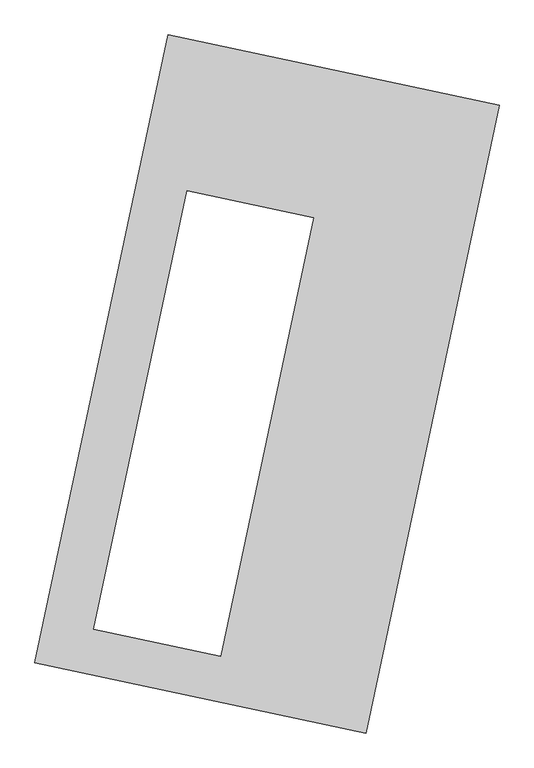
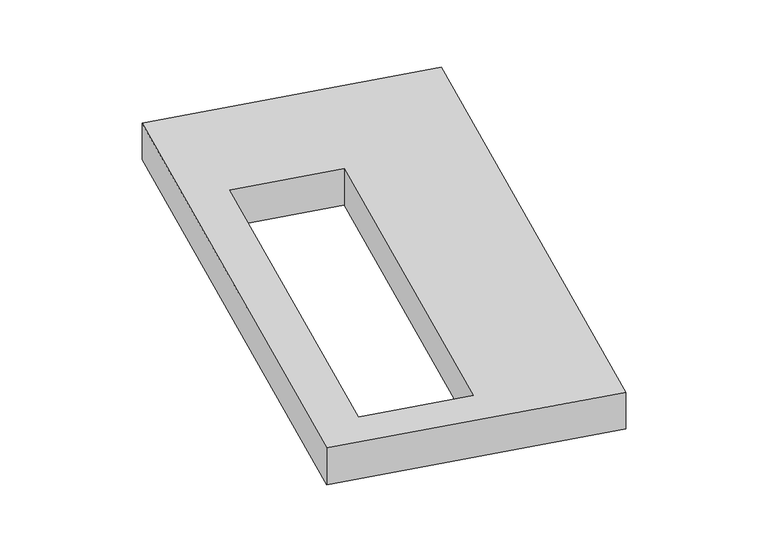
"""IFC4 building model written with IfcOpenShell, lengths in millimetres: proxy geometry."""

import ifcopenshell
import ifcopenshell.guid

model = None  # the IFC model being written
_history = None  # IfcOwnerHistory: only IFC2X3 demands one
_inside = {}  # id of a spatial element -> (the spatial element, [elements in it])
_under = {}  # id of a project, library or spatial element -> (it, [spatial elements below it])
_declared = {}  # id of a project -> (the project, [libraries it declares])
_typed = {}  # id of a type object -> (the type object, [elements of that type])
_made_of = {}  # id of a material, layer set ... -> (it, [elements and type objects made of it])


def new_model(schema):
    """Start an empty IFC model of exactly this schema.

    Asked for "IFC4X3", IfcOpenShell would pick the latest addendum, in which some entities
    have other attributes; the version numbers below select the first issue.
    IFC2X3 requires an IfcOwnerHistory on every rooted entity: one is made here for all.
    """
    global model, _history
    if schema == "IFC4X3":
        model = ifcopenshell.file(schema_version=(4, 3, 0, 0))
    else:
        model = ifcopenshell.file(schema=schema)
    _inside.clear()
    _under.clear()
    _declared.clear()
    _typed.clear()
    _made_of.clear()
    _history = None
    if model.schema == "IFC2X3":
        org = make("IfcOrganization", Name="unknown")
        user = make(
            "IfcPersonAndOrganization",
            ThePerson=make("IfcPerson", FamilyName="unknown"),
            TheOrganization=org,
        )
        app = make(
            "IfcApplication",
            ApplicationDeveloper=org,
            Version="unknown",
            ApplicationFullName="unknown",
            ApplicationIdentifier="unknown",
        )
        _history = make(
            "IfcOwnerHistory",
            OwningUser=user,
            OwningApplication=app,
            ChangeAction="ADDED",
            CreationDate=0,
        )
    return model


def make(cls, **values):
    """One entity of the class cls with the attributes given. An attribute that is None is left unset."""
    return model.create_entity(
        cls, **{name: value for name, value in values.items() if value is not None}
    )


def rooted(cls, **values):
    """An entity with a GlobalId (a new one), such as an element, a storey or a relation."""
    return make(cls, GlobalId=ifcopenshell.guid.new(), OwnerHistory=_history, **values)


def si_unit(unit_type, name, prefix=None):
    """IfcSIUnit, for example si_unit("LENGTHUNIT", "METRE", prefix="MILLI")."""
    return make("IfcSIUnit", UnitType=unit_type, Prefix=prefix, Name=name)


def assignment(units):
    """IfcUnitAssignment: the units of a project."""
    return None if units is None else make("IfcUnitAssignment", Units=units)


def point(xyz):
    """IfcCartesianPoint."""
    return None if xyz is None else make("IfcCartesianPoint", Coordinates=xyz)


def direction(xyz):
    """IfcDirection."""
    return None if xyz is None else make("IfcDirection", DirectionRatios=xyz)


def frame(location, z_axis=None, x_axis=None):
    """IfcAxis2Placement3D, a coordinate frame: its origin and axes. An axis left out is left unset."""
    return make(
        "IfcAxis2Placement3D",
        Location=point(location),
        Axis=direction(z_axis),
        RefDirection=direction(x_axis),
    )


def origin():
    """The frame at (0, 0, 0) with its axes left unset."""
    return frame((0.0, 0.0, 0.0))


def origin_with_axes():
    """The frame at (0, 0, 0) with the z axis (0, 0, 1) and the x axis (1, 0, 0) written out."""
    return frame((0.0, 0.0, 0.0), z_axis=(0.0, 0.0, 1.0), x_axis=(1.0, 0.0, 0.0))


def place(relative_to, where):
    """IfcLocalPlacement: puts the frame where relative to a parent placement (None: the world)."""
    return make(
        "IfcLocalPlacement", PlacementRelTo=relative_to, RelativePlacement=where
    )


def context(
    kind, dimensions, precision=None, world=None, true_north=None, identifier=None
):
    """IfcGeometricRepresentationContext, for example the 3D "Model" context."""
    return make(
        "IfcGeometricRepresentationContext",
        ContextIdentifier=identifier,
        ContextType=kind,
        CoordinateSpaceDimension=dimensions,
        Precision=precision,
        WorldCoordinateSystem=world,
        TrueNorth=true_north,
    )


def project(units=None, contexts=None):
    """IfcProject with its units and contexts."""
    return rooted(
        "IfcProject",
        Name="project",
        RepresentationContexts=contexts,
        UnitsInContext=assignment(units),
    )


def spatial(cls, under=None, at=None, **own):
    """A site, building, storey or space (cls), placed at a placement, below another one or the project."""
    s = rooted(cls, ObjectPlacement=at, **own)
    if under is not None:
        _under.setdefault(under.id(), (under, []))[1].append(s)
    return s


def polyline(points):
    """IfcPolyline through the points."""
    return make("IfcPolyline", Points=[point(p) for p in points])


def outline(outer, holes=None, kind="AREA"):
    """IfcArbitraryClosedProfileDef: a profile drawn as a closed curve; with holes, ...WithVoids."""
    if holes is None:
        return make("IfcArbitraryClosedProfileDef", ProfileType=kind, OuterCurve=outer)
    return make(
        "IfcArbitraryProfileDefWithVoids",
        ProfileType=kind,
        OuterCurve=outer,
        InnerCurves=holes,
    )


def extrude(swept, where, along, depth):
    """IfcExtrudedAreaSolid: the profile swept, set in the frame where, extruded along a direction by depth."""
    return make(
        "IfcExtrudedAreaSolid",
        SweptArea=swept,
        Position=where,
        ExtrudedDirection=direction(along),
        Depth=depth,
    )


def shape(context_of_items, identifier, shape_type, items):
    """IfcShapeRepresentation: the items that make up one representation, for example the "Body"."""
    return make(
        "IfcShapeRepresentation",
        ContextOfItems=context_of_items,
        RepresentationIdentifier=identifier,
        RepresentationType=shape_type,
        Items=items,
    )


def source(mapping_origin, context_of_items, identifier, shape_type, items):
    """IfcRepresentationMap: a shape defined once, which mapped items show again and again."""
    return make(
        "IfcRepresentationMap",
        MappingOrigin=mapping_origin,
        MappedRepresentation=shape(context_of_items, identifier, shape_type, items),
    )


def transform(
    local_origin,
    x_axis=None,
    y_axis=None,
    z_axis=None,
    scale=None,
    scale2=None,
    scale3=None,
    uniform=True,
):
    """IfcCartesianTransformationOperator3D, or its non-uniform kind. x_axis, y_axis, z_axis: its Axis1, 2, 3."""
    if uniform:
        return make(
            "IfcCartesianTransformationOperator3D",
            Axis1=direction(x_axis),
            Axis2=direction(y_axis),
            LocalOrigin=point(local_origin),
            Scale=scale,
            Axis3=direction(z_axis),
        )
    return make(
        "IfcCartesianTransformationOperator3DnonUniform",
        Axis1=direction(x_axis),
        Axis2=direction(y_axis),
        LocalOrigin=point(local_origin),
        Scale=scale,
        Axis3=direction(z_axis),
        Scale2=scale2,
        Scale3=scale3,
    )


def mapped(mapping_source, mapping_target):
    """IfcMappedItem: shows the shape of a source again, moved by a transform."""
    return make(
        "IfcMappedItem", MappingSource=mapping_source, MappingTarget=mapping_target
    )


def made_of(thing, what):
    """Note that an element or type object is made of a material, layer set ...; save() writes the relation."""
    if what is not None:
        _made_of.setdefault(what.id(), (what, []))[1].append(thing)
    return thing


def element(
    cls,
    number,
    at=None,
    inside=None,
    cuts=None,
    type_object=None,
    material=None,
    context=None,
    identifier="Body",
    shape_type=None,
    held_by="IfcProductDefinitionShape",
    body=None,
    shapes=None,
    **own,
):
    """One element of the class cls, such as IfcWall. Its Tag is "e" and its number.

    at: its placement. inside: the storey or other place that contains it. cuts: it is an
    opening in that element (IfcRelVoidsElement). A single representation is given by context,
    identifier, shape_type and body (its items); several are given by shapes. held_by: the class
    of the entity that holds the representations. save() writes the other relations.
    """
    e = rooted(cls, Tag="e%d" % number, ObjectPlacement=at, **own)
    if body is not None:
        shapes = [shape(context, identifier, shape_type, body)]
    if shapes is not None:
        e.Representation = make(held_by, Representations=shapes)
    if inside is not None:
        _inside.setdefault(inside.id(), (inside, []))[1].append(e)
    if cuts is not None:
        rooted(
            "IfcRelVoidsElement", RelatingBuildingElement=cuts, RelatedOpeningElement=e
        )
    if type_object is not None:
        _typed.setdefault(type_object.id(), (type_object, []))[1].append(e)
    return made_of(e, material)


def aggregate(whole, parts):
    """IfcRelAggregates: a whole, such as a stair, and the parts it consists of."""
    return rooted("IfcRelAggregates", RelatingObject=whole, RelatedObjects=parts)


def save(model, path):
    """Write the relations noted so far, then the file.

    IfcRelAggregates (storeys below a building ...), IfcRelContainedInSpatialStructure (elements
    in a storey), IfcRelDefinesByType, IfcRelAssociatesMaterial and IfcRelDeclares: one each for
    every whole, place, type object, material and project.
    """
    for whole, parts in _under.values():
        aggregate(whole, parts)
    for where, things in _inside.values():
        rooted(
            "IfcRelContainedInSpatialStructure",
            RelatedElements=things,
            RelatingStructure=where,
        )
    for kind, things in _typed.values():
        rooted("IfcRelDefinesByType", RelatedObjects=things, RelatingType=kind)
    for what, things in _made_of.values():
        rooted("IfcRelAssociatesMaterial", RelatedObjects=things, RelatingMaterial=what)
    for by, libraries in _declared.values():
        rooted("IfcRelDeclares", RelatingContext=by, RelatedDefinitions=libraries)
    model.write(path)


def generic_models_368d971b(model_context):
    return source(origin(), model_context, "Body", "SweptSolid", [
        extrude(outline(polyline([(-617.3692021, 2175.5580432), (1447.7508745, 1737.3010494), (617.3692021, -2175.5580432), (-1447.7508745, -1737.3010494), (-617.3692021, 2175.5580432)]), holes=[polyline([(290.9138911, 1035.8234914), (-499.6431147, 1203.5944315), (-1079.5669714, -1529.0770752), (-289.0099656, -1696.8480153), (290.9138911, 1035.8234914)])]), origin_with_axes(), (0.0, 0.0, 1.0), 300.0),
    ])


if __name__ == "__main__":
    model = new_model("IFC4")
    model_context = context("Model", 3, world=origin())
    ifc_project = project(units=[si_unit("LENGTHUNIT", "METRE", prefix="MILLI")], contexts=[model_context])
    site = spatial("IfcSite", under=ifc_project)
    building = spatial("IfcBuilding", under=site)
    placement = place(None, origin())
    generic_models_shape = generic_models_368d971b(model_context)
    element("IfcBuildingElementProxy", 1, Name="Generic Models", at=placement, inside=building, context=model_context, shape_type="MappedRepresentation", body=[
        mapped(generic_models_shape, transform((0.0, 0.0, 0.0), x_axis=(1.0, 0.0, 0.0), y_axis=(0.0, 1.0, 0.0), z_axis=(0.0, 0.0, 1.0))),
    ])
    save(model, "model.ifc")
